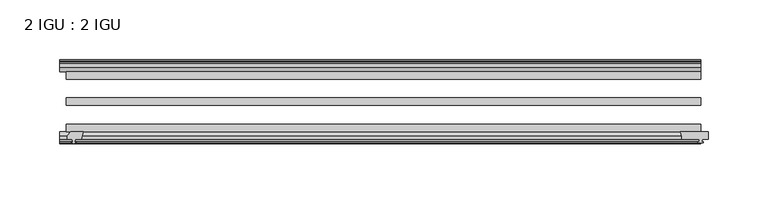
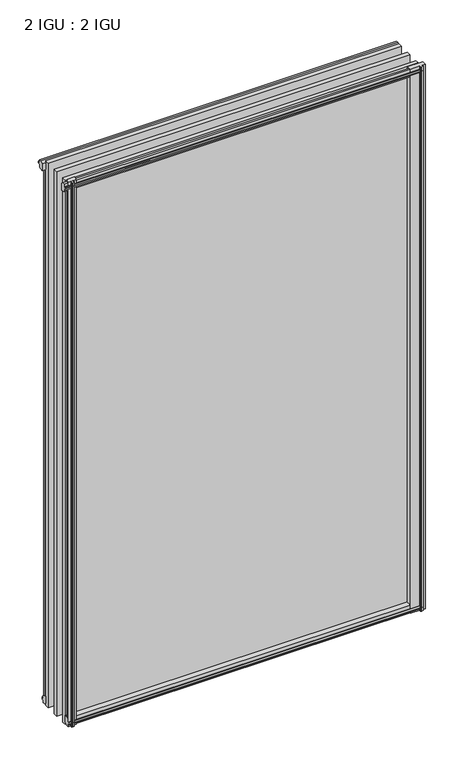
"""IFC4 building model written with IfcOpenShell, lengths in millimetres: plate geometry, 2 IGU : 2 IGU."""

from ifc_helpers import new_model, si_unit, point, frame, frame_2d, origin, origin_with_axes, place, context, project, spatial, polyline, circle_curve, trimmed, segment, composite_curve, outline, extrude, source, transform, mapped, element, save


def plate_2_igu_2_igu_0f6d5af7(model_context):
    return source(origin(), model_context, "Body", "SweptSolid", [
        extrude(outline(polyline([(-249.1072819, -69.9960936), (-250.825, -76.3460936), (-256.032, -76.3460936), (-256.413, -78.7262905), (-254.9974709, -78.2663573), (-254.9974709, -79.0675715), (-257.175, -79.7750936), (-259.3525291, -79.0675715), (-259.3525291, -78.2663573), (-257.937, -78.7262905), (-258.318, -76.3460936), (-262.763, -76.3460936), (-262.763, -73.3996936), (-259.9286578, -69.9960936), (-249.1072819, -69.9960936)])), frame((0.0, 0.0, -12.303125), z_axis=(0.0, 0.0, 1.0), x_axis=(1.0, 0.0, 0.0)), (0.0, 0.0, 1.0), 862.961825),
        extrude(outline(polyline([(255.5181709, -10.4746158), (257.6957, -9.7670937), (259.8732291, -10.4746158), (259.8732291, -11.27583), (258.4577, -10.8158968), (258.8387, -13.1960937), (263.2837, -13.1960937), (263.2837, -16.1424937), (260.4493578, -19.5460937), (249.6279819, -19.5460937), (251.3457, -13.1960937), (256.5527, -13.1960937), (256.9337, -10.8158968), (255.5181709, -11.27583), (255.5181709, -10.4746158)])), origin_with_axes(), (0.0, 0.0, 1.0), 838.2),
        extrude(outline(composite_curve([segment(polyline([(249.8412713, -69.9960936), (273.05, -69.9960936), (273.05, -76.3460936), (267.97, -76.3460936), (267.6525, -78.4506955), (268.8711059, -78.124171), (269.0749, -78.884741), (266.7, -79.5210936), (264.3251, -78.884741), (264.5288941, -78.124171), (265.7475, -78.4506955), (265.43, -76.3460936), (250.825, -76.3460936)]), True, "CONTINUOUS"), segment(trimmed(circle_curve(frame_2d((238.4838743, -75.0067563)), 12.4135896), [point((250.825, -76.3460936))], [point((249.8412713, -69.9960936))], True, "CARTESIAN"), True, "CONTINUOUS")], self_intersect=False)), frame((0.0, 0.0, -12.4587), z_axis=(0.0, 0.0, 1.0), x_axis=(1.0, 0.0, 0.0)), (0.0, 0.0, 1.0), 863.1174),
        extrude(outline(polyline([(-19.5460937, 1.5938931), (-13.1960937, -0.123825), (-13.1960937, -5.330825), (-10.8158968, -5.711825), (-11.27583, -4.2962959), (-10.4746158, -4.2962959), (-9.7670937, -6.473825), (-10.4746158, -8.6513541), (-11.27583, -8.6513541), (-10.8158968, -7.235825), (-13.1960937, -7.616825), (-13.1960937, -12.061825), (-16.1424937, -12.061825), (-19.5460937, -9.2274828), (-19.5460937, 1.5938931)])), frame((-263.525, 0.0, 0.0), z_axis=(1.0, 0.0, 0.0), x_axis=(0.0, 1.0, 0.0)), (0.0, 0.0, 1.0), 530.225),
        extrude(outline(polyline([(-69.9960936, 2.1145931), (-69.9960936, -8.7067828), (-73.3996936, -11.541125), (-76.3460936, -11.541125), (-76.3460936, -7.096125), (-78.7262905, -6.715125), (-78.2663573, -8.1306541), (-79.0675715, -8.1306541), (-79.7750936, -5.953125), (-79.0675715, -3.7755959), (-78.2663573, -3.7755959), (-78.7262905, -5.191125), (-76.3460936, -4.810125), (-76.3460936, 0.396875), (-69.9960936, 2.1145931)])), frame((-263.525, 0.0, 0.0), z_axis=(1.0, 0.0, 0.0), x_axis=(0.0, 1.0, 0.0)), (0.0, 0.0, 1.0), 530.225),
        extrude(outline(polyline([(-10.8158968, 845.8327), (-11.27583, 847.2482291), (-10.4746158, 847.2482291), (-9.7670937, 845.0707), (-10.4746158, 842.8931709), (-11.27583, 842.8931709), (-10.8158968, 844.3087), (-13.1960937, 843.9277), (-13.1960937, 838.7207), (-19.5460937, 837.0029819), (-19.5460937, 847.8243578), (-16.1424937, 850.6587), (-13.1960937, 850.6587), (-13.1960937, 846.2137), (-10.8158968, 845.8327)])), frame((-268.8711059, 0.0, 0.0), z_axis=(1.0, 0.0, 0.0), x_axis=(0.0, 1.0, 0.0)), (0.0, 0.0, 1.0), 535.5711059),
        extrude(outline(polyline([(-76.3460936, 850.138), (-73.3996936, 850.138), (-69.9960936, 847.3036578), (-69.9960936, 836.4822819), (-76.3460936, 838.2), (-76.3460936, 843.407), (-78.7262905, 843.788), (-78.2663573, 842.3724709), (-79.0675715, 842.3724709), (-79.7750936, 844.55), (-79.0675715, 846.7275291), (-78.2663573, 846.7275291), (-78.7262905, 845.312), (-76.3460936, 845.693), (-76.3460936, 850.138)])), frame((-268.8711059, 0.0, 0.0), z_axis=(1.0, 0.0, 0.0), x_axis=(0.0, 1.0, 0.0)), (0.0, 0.0, 1.0), 535.5711059),
        extrude(outline(polyline([(-257.6957, -9.7670937), (-255.5181709, -10.4746158), (-255.5181709, -11.27583), (-256.9337, -10.8158968), (-256.5527, -13.1960937), (-251.3457, -13.1960937), (-249.6279819, -19.5460937), (-260.4493578, -19.5460937), (-263.2837, -16.1424937), (-263.2837, -13.1960937), (-258.8387, -13.1960937), (-258.4577, -10.8158968), (-259.8732291, -11.27583), (-259.8732291, -10.4746158), (-257.6957, -9.7670937)])), origin_with_axes(), (0.0, 0.0, 1.0), 838.2),
        extrude(outline(polyline([(266.7, -19.5460937), (266.7, -25.8960937), (-263.525, -25.8960937), (-263.525, -19.5460937), (266.7, -19.5460937)])), frame((0.0, 0.0, -12.303125), z_axis=(0.0, 0.0, 1.0), x_axis=(1.0, 0.0, 0.0)), (0.0, 0.0, 1.0), 863.203125),
        extrude(outline(polyline([(-263.525, -41.5960937), (266.7, -41.5960937), (266.7, -47.9460937), (-263.525, -47.9460937), (-263.525, -41.5960937)])), frame((0.0, 0.0, -12.303125), z_axis=(0.0, 0.0, 1.0), x_axis=(1.0, 0.0, 0.0)), (0.0, 0.0, 1.0), 863.203125),
        extrude(outline(polyline([(266.7, -63.6460936), (266.7, -69.9960936), (-263.525, -69.9960936), (-263.525, -63.6460936), (266.7, -63.6460936)])), frame((0.0, 0.0, -12.303125), z_axis=(0.0, 0.0, 1.0), x_axis=(1.0, 0.0, 0.0)), (0.0, 0.0, 1.0), 863.203125),
    ])


if __name__ == "__main__":
    model = new_model("IFC4")
    model_context = context("Model", 3, world=origin())
    ifc_project = project(units=[si_unit("LENGTHUNIT", "METRE", prefix="MILLI")], contexts=[model_context])
    site = spatial("IfcSite", under=ifc_project)
    building = spatial("IfcBuilding", under=site)
    placement = place(None, origin())
    plate_2_igu_2_igu_shape = plate_2_igu_2_igu_0f6d5af7(model_context)
    element("IfcPlate", 1, ObjectType="2 IGU : 2 IGU", at=placement, inside=building, context=model_context, shape_type="MappedRepresentation", body=[
        mapped(plate_2_igu_2_igu_shape, transform((0.0, 0.0, 0.0), x_axis=(1.0, 0.0, 0.0), y_axis=(0.0, 1.0, 0.0), z_axis=(0.0, 0.0, 1.0))),
    ])
    save(model, "model.ifc")
